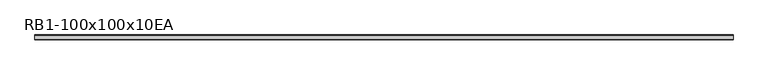
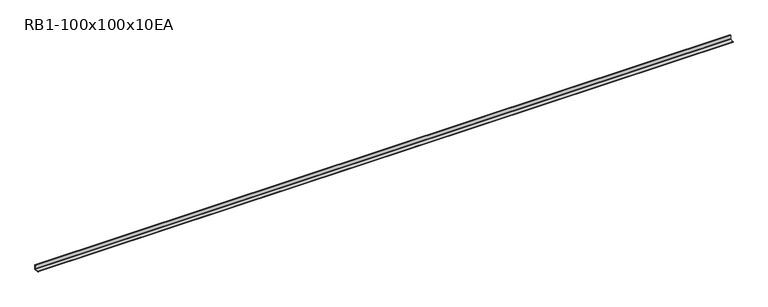
"""IFC4 building model written with IfcOpenShell, lengths in millimetres: member geometry, RB1-100x100x10EA."""

from ifc_helpers import new_model, si_unit, point, frame, frame_2d, origin, place, context, project, spatial, polyline, circle_curve, trimmed, segment, composite_curve, outline, extrude, source, transform, mapped, element, save


def rb1_100x100x10ea_e4b07de4(model_context):
    return source(origin(), model_context, "Body", "SweptSolid", [
        extrude(outline(composite_curve([segment(polyline([(28.2, -28.2), (-71.8, -28.2), (-71.8, -23.2)]), True, "CONTINUOUS"), segment(trimmed(circle_curve(frame_2d((-66.8, -23.2)), 5.0), [point((-71.8, -23.2))], [point((-66.8, -18.2))], False, "CARTESIAN"), True, "CONTINUOUS"), segment(polyline([(-66.8, -18.2), (10.2, -18.2)]), True, "CONTINUOUS"), segment(trimmed(circle_curve(frame_2d((10.2, -10.2)), 8.0), [point((10.2, -18.2))], [point((18.2, -10.2))], True, "CARTESIAN"), True, "CONTINUOUS"), segment(polyline([(18.2, -10.2), (18.2, 66.8)]), True, "CONTINUOUS"), segment(trimmed(circle_curve(frame_2d((23.2, 66.8)), 5.0), [point((18.2, 66.8))], [point((23.2, 71.8))], False, "CARTESIAN"), True, "CONTINUOUS"), segment(polyline([(23.2, 71.8), (28.2, 71.8), (28.2, -28.2)]), True, "CONTINUOUS")], self_intersect=False)), frame((-7326.7453361, 0.0, 0.0), z_axis=(1.0, 0.0, 0.0), x_axis=(0.0, 1.0, 0.0)), (0.0, 0.0, 1.0), 14587.7453361),
    ])


if __name__ == "__main__":
    model = new_model("IFC4")
    model_context = context("Model", 3, world=origin())
    ifc_project = project(units=[si_unit("LENGTHUNIT", "METRE", prefix="MILLI")], contexts=[model_context])
    site = spatial("IfcSite", under=ifc_project)
    building = spatial("IfcBuilding", under=site)
    placement = place(None, origin())
    rb1_100x100x10ea_shape = rb1_100x100x10ea_e4b07de4(model_context)
    element("IfcMember", 1, ObjectType="RB1-100x100x10EA", at=placement, inside=building, context=model_context, shape_type="MappedRepresentation", body=[
        mapped(rb1_100x100x10ea_shape, transform((0.0, 0.0, 0.0), x_axis=(1.0, 0.0, 0.0), y_axis=(0.0, 1.0, 0.0), z_axis=(0.0, 0.0, 1.0))),
    ])
    save(model, "model.ifc")
